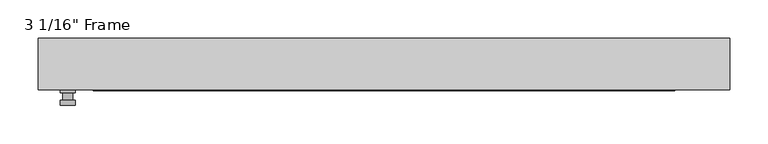
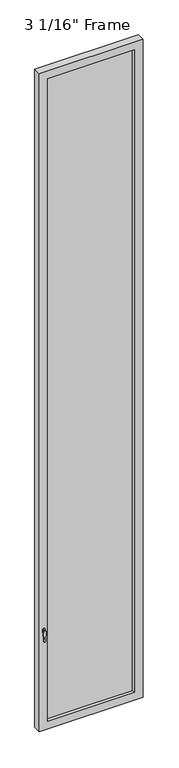
"""IFC4 building model written with IfcOpenShell, lengths in millimetres: plate geometry."""

from ifc_helpers import new_model, si_unit, frame, origin, place, context, project, spatial, polyline, circle_curve, outline, extrude, faceted_brep, source, transform, mapped, element, save
from ifc_brep_helpers import plane_surface, cylinder_surface, advanced_brep


def plate_4bfb75c2(model_context):
    return source(origin(), model_context, "Body", "SolidModel", [
        advanced_brep(
        [(-401.6375, -33.3375, 927.1), (-401.6375, -33.3375, 901.7), (-420.6875, -33.3375, 901.7), (-420.6875, -33.3375, 927.1), (-404.8125, -46.0375, 914.4), (-417.5125, -46.0375, 914.4), (-417.5125, -36.5125, 914.4), (-404.8125, -36.5125, 914.4), (-401.6375, -46.0375, 914.4), (-404.8165356, -46.0375, 825.2736467), (-417.5084644, -46.0375, 825.2736467), (-420.6875, -46.0375, 914.4), (-401.6375, -52.3875, 914.4), (-420.6875, -52.3875, 914.4), (-417.5084644, -52.3875, 825.2736467), (-404.8165356, -52.3875, 825.2736467), (-401.6375, -36.5125, 927.1), (-420.6875, -36.5125, 927.1), (-420.6875, -36.5125, 901.7), (-401.6375, -36.5125, 901.7)],
        [
            (0, 1),
            (1, 2, circle_curve(frame((-411.1625, -33.3375, 901.7), z_axis=(0.0, 1.0, 0.0), x_axis=(-1.0, 0.0, 0.0)), 9.525)),
            (2, 3),
            (3, 0, circle_curve(frame((-411.1625, -33.3375, 927.1), z_axis=(0.0, 1.0, 0.0), x_axis=(-1.0, 0.0, 0.0)), 9.525)),
            (4, 5, circle_curve(frame((-411.1625, -46.0375, 914.4), z_axis=(0.0, 1.0, 0.0), x_axis=(-1.0, 0.0, 0.0)), 6.35)),
            (5, 6),
            (6, 7, circle_curve(frame((-411.1625, -36.5125, 914.4), z_axis=(0.0, -1.0, 0.0), x_axis=(-1.0, 0.0, 0.0)), 6.35)),
            (7, 4),
            (5, 4, circle_curve(frame((-411.1625, -46.0375, 914.4), z_axis=(0.0, 1.0, 0.0), x_axis=(-1.0, 0.0, 0.0)), 6.35)),
            (7, 6, circle_curve(frame((-411.1625, -36.5125, 914.4), z_axis=(0.0, -1.0, 0.0), x_axis=(-1.0, 0.0, 0.0)), 6.35)),
            (8, 9),
            (9, 10, circle_curve(frame((-411.1625, -46.0375, 825.5), z_axis=(0.0, 1.0, 0.0), x_axis=(-1.0, 0.0, 0.0)), 6.35)),
            (10, 11),
            (11, 8, circle_curve(frame((-411.1625, -46.0375, 914.4), z_axis=(0.0, 1.0, 0.0), x_axis=(-1.0, 0.0, 0.0)), 9.525)),
            (12, 13, circle_curve(frame((-411.1625, -52.3875, 914.4), z_axis=(0.0, -1.0, 0.0), x_axis=(-1.0, 0.0, 0.0)), 9.525)),
            (13, 14),
            (14, 15, circle_curve(frame((-411.1625, -52.3875, 825.5), z_axis=(0.0, -1.0, 0.0), x_axis=(-1.0, 0.0, 0.0)), 6.35)),
            (15, 12),
            (8, 12),
            (15, 9),
            (14, 10),
            (13, 11),
            (16, 17, circle_curve(frame((-411.1625, -36.5125, 927.1), z_axis=(0.0, -1.0, 0.0), x_axis=(-1.0, 0.0, 0.0)), 9.525)),
            (17, 18),
            (18, 19, circle_curve(frame((-411.1625, -36.5125, 901.7), z_axis=(0.0, -1.0, 0.0), x_axis=(-1.0, 0.0, 0.0)), 9.525)),
            (19, 16),
            (0, 16),
            (19, 1),
            (18, 2),
            (17, 3),
        ],
        [
            plane_surface(frame((-417.5125, -33.3375, 914.4), z_axis=(0.0, 1.0, 0.0), x_axis=(0.0, 0.0, 1.0))),
            cylinder_surface(frame((-411.1625, -46.0375, 914.4), z_axis=(0.0, 1.0, 0.0), x_axis=(-1.0, 0.0, 0.0)), 6.35),
            plane_surface(frame((-401.6375, -46.0375, 914.4), z_axis=(0.0, 1.0000000000000002, 0.0), x_axis=(-0.03564619348186888, 0.0, -0.9993644724975235))),
            plane_surface(frame((-401.6375, -52.3875, 914.4), z_axis=(0.0, -1.0000000000000002, 0.0), x_axis=(0.03564619348186888, 0.0, 0.9993644724975235))),
            plane_surface(frame((-401.6375, -46.0375, 914.4), z_axis=(0.9993644724975235, 0.0, -0.03564619348186888), x_axis=(0.0, -1.0, 0.0))),
            cylinder_surface(frame((-411.1625, -52.3875, 825.5), z_axis=(0.0, 1.0, 0.0), x_axis=(-1.0, 0.0, 0.0)), 6.35),
            plane_surface(frame((-417.5084644, -46.0375, 825.2736467), z_axis=(-0.9993644724975228, 0.0, -0.03564619348188612), x_axis=(0.0, -1.0, 0.0))),
            cylinder_surface(frame((-411.1625, -52.3875, 914.4), z_axis=(0.0, 1.0, 0.0), x_axis=(-1.0, 0.0, 0.0)), 9.525),
            plane_surface(frame((-401.6375, -36.5125, 901.7), z_axis=(0.0, -1.0, 0.0), x_axis=(0.0, 0.0, 1.0))),
            plane_surface(frame((-401.6375, -33.3375, 927.1), z_axis=(1.0, 0.0, 0.0), x_axis=(0.0, -1.0, 0.0))),
            cylinder_surface(frame((-411.1625, -36.5125, 901.7), z_axis=(0.0, 1.0, 0.0), x_axis=(-1.0, 0.0, 0.0)), 9.525),
            plane_surface(frame((-420.6875, -33.3375, 901.7), z_axis=(-1.0, 0.0, 0.0), x_axis=(0.0, -1.0, 0.0))),
            cylinder_surface(frame((-411.1625, -36.5125, 927.1), z_axis=(0.0, 1.0, 0.0), x_axis=(-1.0, 0.0, 0.0)), 9.525),
        ],
        [
            (0, [[1, 2, 3, 4]]),
            (1, [[5, 6, 7, 8]]),
            (1, [[9, -8, 10, -6]]),
            (2, [[11, 12, 13, 14], [-5, -9]]),
            (3, [[15, 16, 17, 18]]),
            (4, [[-11, 19, -18, 20]]),
            (5, [[-12, -20, -17, 21]]),
            (6, [[-13, -21, -16, 22]]),
            (7, [[-14, -22, -15, -19]]),
            (8, [[23, 24, 25, 26], [-7, -10]]),
            (9, [[-1, 27, -26, 28]]),
            (10, [[-2, -28, -25, 29]]),
            (11, [[-3, -29, -24, 30]]),
            (12, [[-4, -30, -23, -27]]),
        ],
    ),
        faceted_brep([(-449.2625, -33.3375, 0.0), (-449.2625, 33.3375, 0.0), (449.2625, 33.3375, 0.0), (449.2625, -33.3375, 0.0), (449.2625, -33.3375, 6026.15), (-449.2625, -33.3375, 6026.15), (-377.825, -33.3375, 5954.7125), (377.825, -33.3375, 5954.7125), (377.825, -33.3375, 71.4375), (-377.825, -33.3375, 71.4375), (-449.2625, 33.3375, 6026.15), (449.2625, 33.3375, 6026.15), (-377.825, 33.3375, 5954.7125), (-377.825, 33.3375, 71.4375), (377.825, 33.3375, 71.4375), (377.825, 33.3375, 5954.7125), (-371.475, 11.90625, 5948.3625), (-371.475, 11.90625, 77.7875), (384.175, 11.90625, 5961.0625), (-384.175, 11.90625, 5961.0625), (-384.175, 11.90625, 65.0875), (384.175, 11.90625, 65.0875), (371.475, 11.90625, 5948.3625), (371.475, 11.90625, 77.7875), (-384.175, -11.90625, 5961.0625), (-384.175, -11.90625, 65.0875), (384.175, -11.90625, 5961.0625), (384.175, -11.90625, 65.0875), (-371.475, -11.90625, 5948.3625), (-371.475, -11.90625, 77.7875), (371.475, -11.90625, 77.7875), (371.475, -11.90625, 5948.3625)], [[[0, 1, 2, 3]], [[0, 3, 4, 5], [6, 7, 8, 9]], [[1, 0, 5, 10]], [[2, 1, 10, 11], [12, 13, 14, 15]], [[12, 16, 17, 13]], [[18, 19, 20, 21], [16, 22, 23, 17]], [[20, 19, 24, 25]], [[24, 26, 27, 25], [28, 29, 30, 31]], [[28, 6, 9, 29]], [[5, 4, 11, 10]], [[12, 15, 22, 16]], [[19, 18, 26, 24]], [[7, 6, 28, 31]], [[4, 3, 2, 11]], [[22, 15, 14, 23]], [[27, 26, 18, 21]], [[7, 31, 30, 8]], [[9, 8, 30, 29]], [[21, 20, 25, 27]], [[17, 23, 14, 13]]]),
        extrude(outline(polyline([(384.175, -11.90625), (-384.175, -11.90625), (-384.175, 11.90625), (384.175, 11.90625), (384.175, -11.90625)])), frame((0.0, 0.0, 65.0875), z_axis=(0.0, 0.0, 1.0), x_axis=(1.0, 0.0, 0.0)), (0.0, 0.0, 1.0), 5895.975),
    ])


if __name__ == "__main__":
    model = new_model("IFC4")
    model_context = context("Model", 3, world=origin())
    ifc_project = project(units=[si_unit("LENGTHUNIT", "METRE", prefix="MILLI")], contexts=[model_context])
    site = spatial("IfcSite", under=ifc_project)
    building = spatial("IfcBuilding", under=site)
    placement = place(None, origin())
    plate_shape = plate_4bfb75c2(model_context)
    element("IfcPlate", 1, ObjectType="3 1/16\" Frame", at=placement, inside=building, context=model_context, shape_type="MappedRepresentation", body=[
        mapped(plate_shape, transform((0.0, 0.0, 0.0), x_axis=(1.0, 0.0, 0.0), y_axis=(0.0, 1.0, 0.0), z_axis=(0.0, 0.0, 1.0))),
    ])
    save(model, "model.ifc")
